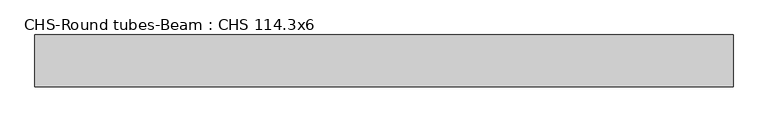
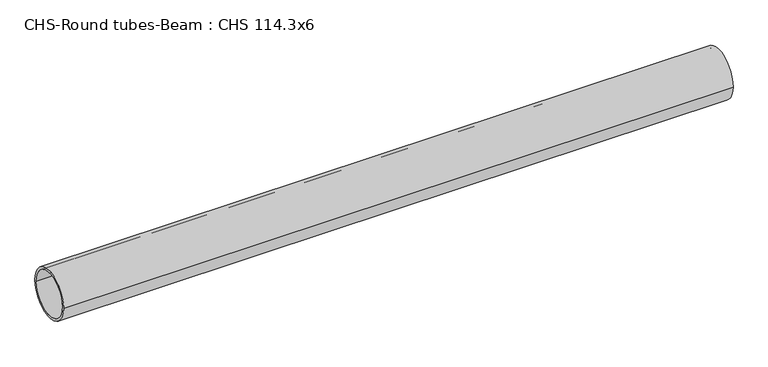
"""IFC4 building model written with IfcOpenShell, lengths in millimetres: beam geometry, CHS-Round tubes-Beam : CHS 114.3x6."""

from ifc_helpers import new_model, si_unit, point, frame, origin, origin_2d, place, context, project, spatial, circle_curve, trimmed, segment, composite_curve, outline, extrude, source, transform, mapped, element, save


def chs_round_tubes_beam_chs_114_3x6_61a5c989(model_context):
    return source(origin(), model_context, "Body", "SweptSolid", [
        extrude(outline(composite_curve([segment(trimmed(circle_curve(origin_2d(), 57.15), [point((57.15, 0.0))], [point((-57.15, 0.0))], False, "CARTESIAN"), True, "CONTINUOUS"), segment(trimmed(circle_curve(origin_2d(), 57.15), [point((-57.15, 0.0))], [point((57.15, 0.0))], False, "CARTESIAN"), True, "CONTINUOUS")], self_intersect=False), holes=[composite_curve([segment(trimmed(circle_curve(origin_2d(), 51.15), [point((51.15, 0.0))], [point((-51.15, 0.0))], True, "CARTESIAN"), True, "CONTINUOUS"), segment(trimmed(circle_curve(origin_2d(), 51.15), [point((-51.15, 0.0))], [point((51.15, 0.0))], True, "CARTESIAN"), True, "CONTINUOUS")], self_intersect=False)]), frame((-747.211146, 0.0, 0.0), z_axis=(1.0, 0.0, 0.0), x_axis=(0.0, 1.0, 0.0)), (0.0, 0.0, 1.0), 1536.7159956),
    ])


if __name__ == "__main__":
    model = new_model("IFC4")
    model_context = context("Model", 3, world=origin())
    ifc_project = project(units=[si_unit("LENGTHUNIT", "METRE", prefix="MILLI")], contexts=[model_context])
    site = spatial("IfcSite", under=ifc_project)
    building = spatial("IfcBuilding", under=site)
    placement = place(None, origin())
    chs_round_tubes_beam_chs_114_3x6_shape = chs_round_tubes_beam_chs_114_3x6_61a5c989(model_context)
    element("IfcBeam", 1, ObjectType="CHS-Round tubes-Beam : CHS 114.3x6", at=placement, inside=building, context=model_context, shape_type="MappedRepresentation", body=[
        mapped(chs_round_tubes_beam_chs_114_3x6_shape, transform((0.0, 0.0, 0.0), x_axis=(1.0, 0.0, 0.0), y_axis=(0.0, 1.0, 0.0), z_axis=(0.0, 0.0, 1.0))),
    ])
    save(model, "model.ifc")
